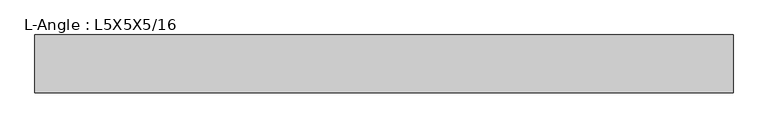
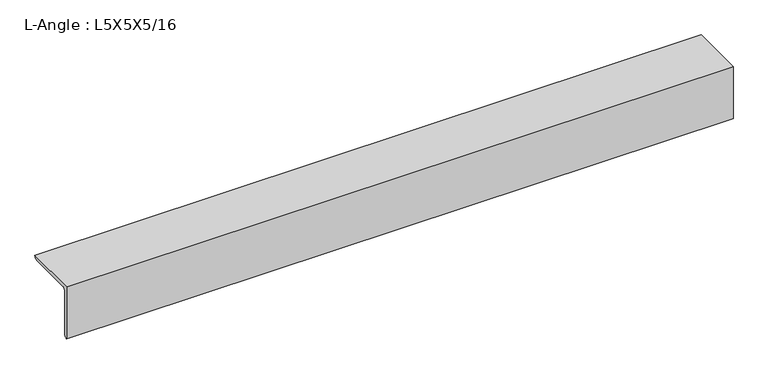
"""IFC4 building model written with IfcOpenShell, lengths in millimetres: beam geometry, L-Angle : L5X5X5/16."""

from ifc_helpers import new_model, si_unit, point, frame, frame_2d, origin, place, context, project, spatial, polyline, circle_curve, trimmed, segment, composite_curve, outline, extrude, source, transform, mapped, element, save


def l_angle_l5x5x5_16_91e615f9(model_context):
    return source(origin(), model_context, "Body", "SweptSolid", [
        extrude(outline(composite_curve([segment(polyline([(-34.3296875, 34.3296875), (92.6703125, 34.3296875)]), True, "CONTINUOUS"), segment(trimmed(circle_curve(frame_2d((84.7328125, 34.3296875)), 7.9375), [point((92.6703125, 34.3296875))], [point((84.7328125, 26.3921875))], False, "CARTESIAN"), True, "CONTINUOUS"), segment(polyline([(84.7328125, 26.3921875), (-18.4546875, 26.3921875)]), True, "CONTINUOUS"), segment(trimmed(circle_curve(frame_2d((-18.4546875, 18.4546875)), 7.9375), [point((-18.4546875, 26.3921875))], [point((-26.3921875, 18.4546875))], True, "CARTESIAN"), True, "CONTINUOUS"), segment(polyline([(-26.3921875, 18.4546875), (-26.3921875, -84.7328125)]), True, "CONTINUOUS"), segment(trimmed(circle_curve(frame_2d((-34.3296875, -84.7328125)), 7.9375), [point((-26.3921875, -84.7328125))], [point((-34.3296875, -92.6703125))], False, "CARTESIAN"), True, "CONTINUOUS"), segment(polyline([(-34.3296875, -92.6703125), (-34.3296875, 34.3296875)]), True, "CONTINUOUS")], self_intersect=False)), frame((-791.113656, 0.0, 0.0), z_axis=(1.0, 0.0, 0.0), x_axis=(0.0, 1.0, 0.0)), (0.0, 0.0, 1.0), 1531.9234063),
    ])


if __name__ == "__main__":
    model = new_model("IFC4")
    model_context = context("Model", 3, world=origin())
    ifc_project = project(units=[si_unit("LENGTHUNIT", "METRE", prefix="MILLI")], contexts=[model_context])
    site = spatial("IfcSite", under=ifc_project)
    building = spatial("IfcBuilding", under=site)
    placement = place(None, origin())
    l_angle_l5x5x5_16_shape = l_angle_l5x5x5_16_91e615f9(model_context)
    element("IfcBeam", 1, ObjectType="L-Angle : L5X5X5/16", at=placement, inside=building, context=model_context, shape_type="MappedRepresentation", body=[
        mapped(l_angle_l5x5x5_16_shape, transform((0.0, 0.0, 0.0), x_axis=(1.0, 0.0, 0.0), y_axis=(0.0, 1.0, 0.0), z_axis=(0.0, 0.0, 1.0))),
    ])
    save(model, "model.ifc")
